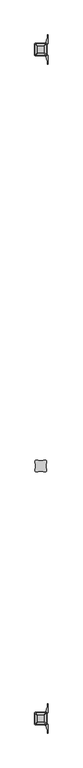
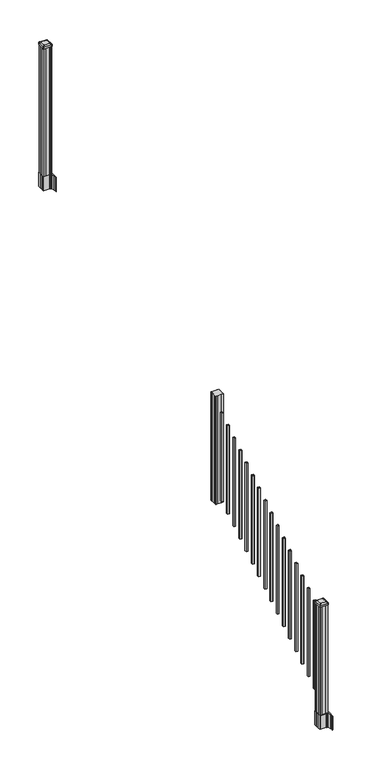
"""IFC4 building model written with IfcOpenShell, lengths in millimetres: railing geometry."""

from ifc_helpers import new_model, si_unit, point, frame, frame_2d, origin, place, context, project, spatial, polyline, circle_curve, trimmed, segment, composite_curve, outline, extrude, source, transform, mapped, element, save
from ifc_brep_helpers import plane_surface, extruded_surface, advanced_brep


def railing_14ff0e8b(model_context):
    return source(origin(), model_context, "Body", "SolidModel", [
        extrude(outline(polyline([(13007.5958284, -5880.2624681), (12987.9743284, -5880.2624681), (12987.2123284, -5878.6749681), (12948.6043284, -5878.6749681), (12947.8423284, -5880.2624681), (12928.2208284, -5880.2624681), (12926.6333284, -5878.6749681), (12926.6333284, -5859.0534681), (12928.2208284, -5858.2914681), (12928.2208284, -5819.6834681), (12926.6333284, -5818.9214681), (12926.6333284, -5799.2999681), (12928.2208284, -5797.7124681), (12947.8423284, -5797.7124681), (12948.6043284, -5799.2999681), (12987.2123284, -5799.2999681), (12987.9743284, -5797.7124681), (13007.5958284, -5797.7124681), (13009.1833284, -5799.2999681), (13009.1833284, -5818.9214681), (13007.5958284, -5819.6834681), (13007.5958284, -5858.2914681), (13009.1833284, -5859.0534681), (13009.1833284, -5878.6749681), (13007.5958284, -5880.2624681)])), frame((0.0, 0.0, 1334.77), z_axis=(0.0, 0.0, 1.0), x_axis=(1.0, 0.0, 0.0)), (0.0, 0.0, 1.0), 1183.764263),
        extrude(outline(polyline([(12958.3833284, -5929.5384681), (12958.3833284, -5910.4884681), (12977.4333284, -5910.4884681), (12977.4333284, -5929.5384681), (12958.3833284, -5929.5384681)]), holes=[polyline([(12958.7802034, -5929.1415931), (12977.0364534, -5929.1415931), (12977.0364534, -5910.8853431), (12958.7802034, -5910.8853431), (12958.7802034, -5929.1415931)])]), frame((0.0, 0.0, 1385.7246281), z_axis=(0.0, 0.0, 1.0), x_axis=(1.0, 0.0, 0.0)), (0.0, 0.0, 1.0), 965.2041219),
        extrude(outline(polyline([(12958.3833284, -6040.7904681), (12958.3833284, -6021.7404681), (12977.4333284, -6021.7404681), (12977.4333284, -6040.7904681), (12958.3833284, -6040.7904681)]), holes=[polyline([(12958.7802034, -6040.3935931), (12977.0364534, -6040.3935931), (12977.0364534, -6022.1373431), (12958.7802034, -6022.1373431), (12958.7802034, -6040.3935931)])]), frame((0.0, 0.0, 1316.1921281), z_axis=(0.0, 0.0, 1.0), x_axis=(1.0, 0.0, 0.0)), (0.0, 0.0, 1.0), 965.2041219),
        extrude(outline(polyline([(12958.3833284, -6152.0424681), (12958.3833284, -6132.9924681), (12977.4333284, -6132.9924681), (12977.4333284, -6152.0424681), (12958.3833284, -6152.0424681)]), holes=[polyline([(12958.7802034, -6151.6455931), (12977.0364534, -6151.6455931), (12977.0364534, -6133.3893431), (12958.7802034, -6133.3893431), (12958.7802034, -6151.6455931)])]), frame((0.0, 0.0, 1246.6596281), z_axis=(0.0, 0.0, 1.0), x_axis=(1.0, 0.0, 0.0)), (0.0, 0.0, 1.0), 965.2041219),
        extrude(outline(polyline([(12958.3833284, -6263.2944681), (12958.3833284, -6244.2444681), (12977.4333284, -6244.2444681), (12977.4333284, -6263.2944681), (12958.3833284, -6263.2944681)]), holes=[polyline([(12958.7802034, -6262.8975931), (12977.0364534, -6262.8975931), (12977.0364534, -6244.6413431), (12958.7802034, -6244.6413431), (12958.7802034, -6262.8975931)])]), frame((0.0, 0.0, 1177.1271281), z_axis=(0.0, 0.0, 1.0), x_axis=(1.0, 0.0, 0.0)), (0.0, 0.0, 1.0), 965.2041219),
        extrude(outline(polyline([(12958.3833284, -6374.5464681), (12958.3833284, -6355.4964681), (12977.4333284, -6355.4964681), (12977.4333284, -6374.5464681), (12958.3833284, -6374.5464681)]), holes=[polyline([(12958.7802034, -6374.1495931), (12977.0364534, -6374.1495931), (12977.0364534, -6355.8933431), (12958.7802034, -6355.8933431), (12958.7802034, -6374.1495931)])]), frame((0.0, 0.0, 1107.5946281), z_axis=(0.0, 0.0, 1.0), x_axis=(1.0, 0.0, 0.0)), (0.0, 0.0, 1.0), 965.2041219),
        extrude(outline(polyline([(12958.3833284, -6485.7984681), (12958.3833284, -6466.7484681), (12977.4333284, -6466.7484681), (12977.4333284, -6485.7984681), (12958.3833284, -6485.7984681)]), holes=[polyline([(12958.7802034, -6485.4015931), (12977.0364534, -6485.4015931), (12977.0364534, -6467.1453431), (12958.7802034, -6467.1453431), (12958.7802034, -6485.4015931)])]), frame((0.0, 0.0, 1038.0621281), z_axis=(0.0, 0.0, 1.0), x_axis=(1.0, 0.0, 0.0)), (0.0, 0.0, 1.0), 965.2041219),
        extrude(outline(polyline([(12958.3833284, -6597.0504681), (12958.3833284, -6578.0004681), (12977.4333284, -6578.0004681), (12977.4333284, -6597.0504681), (12958.3833284, -6597.0504681)]), holes=[polyline([(12958.7802034, -6596.6535931), (12977.0364534, -6596.6535931), (12977.0364534, -6578.3973431), (12958.7802034, -6578.3973431), (12958.7802034, -6596.6535931)])]), frame((0.0, 0.0, 968.5296281), z_axis=(0.0, 0.0, 1.0), x_axis=(1.0, 0.0, 0.0)), (0.0, 0.0, 1.0), 965.2041219),
        extrude(outline(polyline([(12958.3833284, -6708.3024681), (12958.3833284, -6689.2524681), (12977.4333284, -6689.2524681), (12977.4333284, -6708.3024681), (12958.3833284, -6708.3024681)]), holes=[polyline([(12958.7802034, -6707.9055931), (12977.0364534, -6707.9055931), (12977.0364534, -6689.6493431), (12958.7802034, -6689.6493431), (12958.7802034, -6707.9055931)])]), frame((0.0, 0.0, 898.9971281), z_axis=(0.0, 0.0, 1.0), x_axis=(1.0, 0.0, 0.0)), (0.0, 0.0, 1.0), 965.2041219),
        extrude(outline(polyline([(12958.3833284, -6819.5544681), (12958.3833284, -6800.5044681), (12977.4333284, -6800.5044681), (12977.4333284, -6819.5544681), (12958.3833284, -6819.5544681)]), holes=[polyline([(12958.7802034, -6819.1575931), (12977.0364534, -6819.1575931), (12977.0364534, -6800.9013431), (12958.7802034, -6800.9013431), (12958.7802034, -6819.1575931)])]), frame((0.0, 0.0, 829.4646281), z_axis=(0.0, 0.0, 1.0), x_axis=(1.0, 0.0, 0.0)), (0.0, 0.0, 1.0), 965.2041219),
        extrude(outline(polyline([(12958.3833284, -6930.8064681), (12958.3833284, -6911.7564681), (12977.4333284, -6911.7564681), (12977.4333284, -6930.8064681), (12958.3833284, -6930.8064681)]), holes=[polyline([(12958.7802034, -6930.4095931), (12977.0364534, -6930.4095931), (12977.0364534, -6912.1533431), (12958.7802034, -6912.1533431), (12958.7802034, -6930.4095931)])]), frame((0.0, 0.0, 759.9321281), z_axis=(0.0, 0.0, 1.0), x_axis=(1.0, 0.0, 0.0)), (0.0, 0.0, 1.0), 965.2041219),
        extrude(outline(polyline([(12958.3833284, -7042.0584681), (12958.3833284, -7023.0084681), (12977.4333284, -7023.0084681), (12977.4333284, -7042.0584681), (12958.3833284, -7042.0584681)]), holes=[polyline([(12958.7802034, -7041.6615931), (12977.0364534, -7041.6615931), (12977.0364534, -7023.4053431), (12958.7802034, -7023.4053431), (12958.7802034, -7041.6615931)])]), frame((0.0, 0.0, 690.3996281), z_axis=(0.0, 0.0, 1.0), x_axis=(1.0, 0.0, 0.0)), (0.0, 0.0, 1.0), 965.2041219),
        extrude(outline(polyline([(12958.3833284, -7153.3104681), (12958.3833284, -7134.2604681), (12977.4333284, -7134.2604681), (12977.4333284, -7153.3104681), (12958.3833284, -7153.3104681)]), holes=[polyline([(12958.7802034, -7152.9135931), (12977.0364534, -7152.9135931), (12977.0364534, -7134.6573431), (12958.7802034, -7134.6573431), (12958.7802034, -7152.9135931)])]), frame((0.0, 0.0, 620.8671281), z_axis=(0.0, 0.0, 1.0), x_axis=(1.0, 0.0, 0.0)), (0.0, 0.0, 1.0), 965.2041219),
        extrude(outline(polyline([(12958.3833284, -7264.5624681), (12958.3833284, -7245.5124681), (12977.4333284, -7245.5124681), (12977.4333284, -7264.5624681), (12958.3833284, -7264.5624681)]), holes=[polyline([(12958.7802034, -7264.1655931), (12977.0364534, -7264.1655931), (12977.0364534, -7245.9093431), (12958.7802034, -7245.9093431), (12958.7802034, -7264.1655931)])]), frame((0.0, 0.0, 551.3346281), z_axis=(0.0, 0.0, 1.0), x_axis=(1.0, 0.0, 0.0)), (0.0, 0.0, 1.0), 965.2041219),
        extrude(outline(polyline([(12958.3833284, -7375.8144681), (12958.3833284, -7356.7644681), (12977.4333284, -7356.7644681), (12977.4333284, -7375.8144681), (12958.3833284, -7375.8144681)]), holes=[polyline([(12958.7802034, -7375.4175931), (12977.0364534, -7375.4175931), (12977.0364534, -7357.1613431), (12958.7802034, -7357.1613431), (12958.7802034, -7375.4175931)])]), frame((0.0, 0.0, 481.8021281), z_axis=(0.0, 0.0, 1.0), x_axis=(1.0, 0.0, 0.0)), (0.0, 0.0, 1.0), 965.2041219),
        extrude(outline(polyline([(12958.3833284, -7487.0664681), (12958.3833284, -7468.0164681), (12977.4333284, -7468.0164681), (12977.4333284, -7487.0664681), (12958.3833284, -7487.0664681)]), holes=[polyline([(12958.7802034, -7486.6695931), (12977.0364534, -7486.6695931), (12977.0364534, -7468.4133431), (12958.7802034, -7468.4133431), (12958.7802034, -7486.6695931)])]), frame((0.0, 0.0, 412.2696281), z_axis=(0.0, 0.0, 1.0), x_axis=(1.0, 0.0, 0.0)), (0.0, 0.0, 1.0), 965.2041219),
        extrude(outline(polyline([(12958.3833284, -7598.3184681), (12958.3833284, -7579.2684681), (12977.4333284, -7579.2684681), (12977.4333284, -7598.3184681), (12958.3833284, -7598.3184681)]), holes=[polyline([(12958.7802034, -7597.9215931), (12977.0364534, -7597.9215931), (12977.0364534, -7579.6653431), (12958.7802034, -7579.6653431), (12958.7802034, -7597.9215931)])]), frame((0.0, 0.0, 342.7371281), z_axis=(0.0, 0.0, 1.0), x_axis=(1.0, 0.0, 0.0)), (0.0, 0.0, 1.0), 965.2041219),
        extrude(outline(polyline([(13007.5958284, -2792.8924681), (12987.9743284, -2792.8924681), (12987.2123284, -2791.3049681), (12948.6043284, -2791.3049681), (12947.8423284, -2792.8924681), (12928.2208284, -2792.8924681), (12926.6333284, -2791.3049681), (12926.6333284, -2771.6834681), (12928.2208284, -2770.9214681), (12928.2208284, -2732.3134681), (12926.6333284, -2731.5514681), (12926.6333284, -2711.9299681), (12928.2208284, -2710.3424681), (12947.8423284, -2710.3424681), (12948.6043284, -2711.9299681), (12987.2123284, -2711.9299681), (12987.9743284, -2710.3424681), (13007.5958284, -2710.3424681), (13009.1833284, -2711.9299681), (13009.1833284, -2731.5514681), (13007.5958284, -2732.3134681), (13007.5958284, -2770.9214681), (13009.1833284, -2771.6834681), (13009.1833284, -2791.3049681), (13007.5958284, -2792.8924681)])), frame((0.0, 0.0, 3048.0), z_axis=(0.0, 0.0, 1.0), x_axis=(1.0, 0.0, 0.0)), (0.0, 0.0, 1.0), 1400.140513),
        extrude(outline(composite_curve([segment(polyline([(12925.1728284, -2769.003563), (12925.1728284, -2734.2313732), (12923.5853284, -2733.4693732), (12923.5853284, -2710.6674452), (12926.9583054, -2707.2944681), (12988.4179763, -2707.2944681), (12988.4179763, -2706.3737181), (12993.7355201, -2706.3737181), (12993.7355201, -2704.9194634), (12998.8200498, -2704.9194634), (12998.8200498, -2703.6354396), (13000.4873221, -2703.6354396)]), True, "CONTINUOUS"), segment(trimmed(circle_curve(frame_2d((13000.4873221, -2696.5759797)), 7.0594599), [point((13000.4873221, -2703.6354396))], [point((13007.2545849, -2698.5859864))], True, "CARTESIAN"), True, "CONTINUOUS"), segment(polyline([(13007.2545849, -2698.5859864), (13015.1287792, -2672.0752573)]), True, "CONTINUOUS"), segment(trimmed(circle_curve(frame_2d((12960.3442659, -2655.8032076)), 57.15), [point((13015.1287792, -2672.0752573))], [point((13017.4942659, -2655.8032076))], True, "CARTESIAN"), True, "CONTINUOUS"), segment(polyline([(13017.4942659, -2655.8032076), (13017.4942659, -2643.7944681), (13020.4942659, -2643.7944681), (13020.4942659, -2708.8819681), (13012.2313284, -2720.2202594), (13012.2313284, -2733.4693732), (13010.6438284, -2734.2313732), (13010.6438284, -2769.003563), (13012.2313284, -2769.765563), (13012.2313284, -2783.0146768), (13020.4942659, -2794.3529681), (13020.4942659, -2859.4404681), (13017.4942659, -2859.4404681), (13017.4942659, -2847.4317285)]), True, "CONTINUOUS"), segment(trimmed(circle_curve(frame_2d((12960.3442659, -2847.4317285)), 57.15), [point((13017.4942659, -2847.4317285))], [point((13015.1287792, -2831.1596789))], True, "CARTESIAN"), True, "CONTINUOUS"), segment(polyline([(13015.1287792, -2831.1596789), (13007.2545849, -2804.6489498)]), True, "CONTINUOUS"), segment(trimmed(circle_curve(frame_2d((13000.4873221, -2806.6589565)), 7.0594599), [point((13007.2545849, -2804.6489498))], [point((13000.4873221, -2799.5994966))], True, "CARTESIAN"), True, "CONTINUOUS"), segment(polyline([(13000.4873221, -2799.5994966), (12998.8200498, -2799.5994966), (12998.8200498, -2798.3154728), (12993.7355201, -2798.3154728), (12993.7355201, -2796.8612181), (12988.4179763, -2796.8612181), (12988.4179763, -2795.9404681), (12926.9583054, -2795.9404681), (12923.5853284, -2792.567491), (12923.5853284, -2769.765563), (12925.1728284, -2769.003563)]), True, "CONTINUOUS")], self_intersect=False), holes=[polyline([(13009.1833284, -2711.9299681), (13007.5958284, -2710.3424681), (12970.6715458, -2710.3424681), (12928.2208284, -2710.3424681), (12926.6333284, -2711.9299681), (12926.6333284, -2791.3049681), (12928.2208284, -2792.8924681), (12970.6715458, -2792.8924681), (13007.5958284, -2792.8924681), (13009.1833284, -2791.3049681), (13009.1833284, -2711.9299681)])]), frame((0.0, 0.0, 2895.6), z_axis=(0.0, 0.0, 1.0), x_axis=(1.0, 0.0, 0.0)), (0.0, 0.0, 1.0), 152.4),
        advanced_brep(
        [(12993.7052034, -2780.5893431, 4476.715513), (12996.8802034, -2777.4143431, 4476.715513), (12996.8802034, -2725.8205931, 4476.715513), (12993.7052034, -2722.6455931, 4476.715513), (12942.1114534, -2722.6455931, 4476.715513), (12938.9364534, -2725.8205931, 4476.715513), (12938.9364534, -2777.4143431, 4476.715513), (12942.1114534, -2780.5893431, 4476.715513), (13009.9770784, -2796.8612181, 4465.412513), (12925.8395784, -2796.8612181, 4465.412513), (12922.6645784, -2793.6862181, 4465.412513), (12922.6645784, -2709.5487181, 4465.412513), (12925.8395784, -2706.3737181, 4465.412513), (13009.9770784, -2706.3737181, 4465.412513), (13013.1520784, -2709.5487181, 4465.412513), (13013.1520784, -2793.6862181, 4465.412513)],
        [
            (0, 1, circle_curve(frame((12993.7052034, -2777.4143431, 4476.715513), z_axis=(0.0, 0.0, 1.0), x_axis=(0.0, 1.0, 0.0)), 3.175)),
            (1, 2),
            (2, 3, circle_curve(frame((12993.7052034, -2725.8205931, 4476.715513), z_axis=(0.0, 0.0, 1.0), x_axis=(0.0, 1.0, 0.0)), 3.175)),
            (3, 4),
            (4, 5, circle_curve(frame((12942.1114534, -2725.8205931, 4476.715513), z_axis=(0.0, 0.0, 1.0), x_axis=(0.0, 1.0, 0.0)), 3.175)),
            (5, 6),
            (6, 7, circle_curve(frame((12942.1114534, -2777.4143431, 4476.715513), z_axis=(0.0, 0.0, 1.0), x_axis=(0.0, 1.0, 0.0)), 3.175)),
            (7, 0),
            (8, 9),
            (9, 10, circle_curve(frame((12925.8395784, -2793.6862181, 4465.412513), z_axis=(0.0, 0.0, -1.0), x_axis=(0.0, 1.0, 0.0)), 3.175)),
            (10, 11),
            (11, 12, circle_curve(frame((12925.8395784, -2709.5487181, 4465.412513), z_axis=(0.0, 0.0, -1.0), x_axis=(0.0, 1.0, 0.0)), 3.175)),
            (12, 13),
            (13, 14, circle_curve(frame((13009.9770784, -2709.5487181, 4465.412513), z_axis=(0.0, 0.0, -1.0), x_axis=(0.0, 1.0, 0.0)), 3.175)),
            (14, 15),
            (15, 8, circle_curve(frame((13009.9770784, -2793.6862181, 4465.412513), z_axis=(0.0, 0.0, -1.0), x_axis=(0.0, 1.0, 0.0)), 3.175)),
            (15, 1),
            (0, 8),
            (14, 2),
            (13, 3),
            (12, 4),
            (11, 5),
            (10, 6),
            (9, 7),
        ],
        [
            plane_surface(frame((12967.9083284, -2751.6174681, 4476.715513), z_axis=(0.0, 0.0, 1.0), x_axis=(1.0, 0.0, 0.0))),
            plane_surface(frame((12967.9083284, -2751.6174681, 4465.412513), z_axis=(0.0, 0.0, -1.0), x_axis=(1.0, 0.0, 0.0))),
            extruded_surface(trimmed(circle_curve(frame((13009.9770784, -2793.6862181, 4465.412513), z_axis=(0.0, 0.0, 1.0), x_axis=(0.0, 1.0, 0.0)), 3.175), [point((13009.9770784, -2796.8612181, 4465.412513))], [point((13013.1520784, -2793.6862181, 4465.412513))], True, "CARTESIAN"), (-16.271874999998545, 16.27187499999991, 11.302999999999884), 25.63797263886513),
            plane_surface(frame((13013.1520784, -2751.6174681, 4465.412513), z_axis=(0.5705009161540685, 0.0, 0.8212969649690474), x_axis=(0.0, 1.0, 0.0))),
            extruded_surface(trimmed(circle_curve(frame((13009.9770784, -2709.5487181, 4465.412513), z_axis=(0.0, 0.0, 1.0), x_axis=(0.0, 1.0, 0.0)), 3.175), [point((13013.1520784, -2709.5487181, 4465.412513))], [point((13009.9770784, -2706.3737181, 4465.412513))], True, "CARTESIAN"), (-16.271874999998545, -16.271875000000364, 11.302999999999884), 25.63797263886542),
            plane_surface(frame((12967.9083284, -2706.3737181, 4465.412513), z_axis=(0.0, 0.5705009161540291, 0.8212969649690747), x_axis=(-1.0, 0.0, 0.0))),
            extruded_surface(trimmed(circle_curve(frame((12925.8395784, -2709.5487181, 4465.412513), z_axis=(0.0, 0.0, 1.0), x_axis=(0.0, 1.0, 0.0)), 3.175), [point((12925.8395784, -2706.3737181, 4465.412513))], [point((12922.6645784, -2709.5487181, 4465.412513))], True, "CARTESIAN"), (16.271875000000364, -16.271875000000364, 11.302999999999884), 25.63797263886657),
            plane_surface(frame((12922.6645784, -2751.6174681, 4465.412513), z_axis=(-0.5705009161540235, 0.0, 0.8212969649690786), x_axis=(0.0, -1.0, 0.0))),
            extruded_surface(trimmed(circle_curve(frame((12925.8395784, -2793.6862181, 4465.412513), z_axis=(0.0, 0.0, 1.0), x_axis=(0.0, 1.0, 0.0)), 3.175), [point((12922.6645784, -2793.6862181, 4465.412513))], [point((12925.8395784, -2796.8612181, 4465.412513))], True, "CARTESIAN"), (16.271875000000364, 16.27187499999991, 11.302999999999884), 25.637972638866284),
            plane_surface(frame((12967.9083284, -2796.8612181, 4465.412513), z_axis=(0.0, -0.570500916154034, 0.8212969649690713), x_axis=(1.0, 0.0, 0.0))),
        ],
        [
            (0, [[1, 2, 3, 4, 5, 6, 7, 8]]),
            (1, [[9, 10, 11, 12, 13, 14, 15, 16]]),
            (2, [[-16, 17, -1, 18]]),
            (3, [[-15, 19, -2, -17]]),
            (4, [[-14, 20, -3, -19]]),
            (5, [[-13, 21, -4, -20]]),
            (6, [[-12, 22, -5, -21]]),
            (7, [[-11, 23, -6, -22]]),
            (8, [[-10, 24, -7, -23]]),
            (9, [[-9, -18, -8, -24]]),
        ],
    ),
        extrude(outline(composite_curve([segment(polyline([(13009.9770784, -2796.8612181), (12925.8395784, -2796.8612181)]), True, "CONTINUOUS"), segment(trimmed(circle_curve(frame_2d((12925.8395784, -2793.6862181)), 3.175), [point((12925.8395784, -2796.8612181))], [point((12922.6645784, -2793.6862181))], False, "CARTESIAN"), True, "CONTINUOUS"), segment(polyline([(12922.6645784, -2793.6862181), (12922.6645784, -2709.5487181)]), True, "CONTINUOUS"), segment(trimmed(circle_curve(frame_2d((12925.8395784, -2709.5487181)), 3.175), [point((12922.6645784, -2709.5487181))], [point((12925.8395784, -2706.3737181))], False, "CARTESIAN"), True, "CONTINUOUS"), segment(polyline([(12925.8395784, -2706.3737181), (13009.9770784, -2706.3737181)]), True, "CONTINUOUS"), segment(trimmed(circle_curve(frame_2d((13009.9770784, -2709.5487181)), 3.175), [point((13009.9770784, -2706.3737181))], [point((13013.1520784, -2709.5487181))], False, "CARTESIAN"), True, "CONTINUOUS"), segment(polyline([(13013.1520784, -2709.5487181), (13013.1520784, -2793.6862181)]), True, "CONTINUOUS"), segment(trimmed(circle_curve(frame_2d((13009.9770784, -2793.6862181)), 3.175), [point((13013.1520784, -2793.6862181))], [point((13009.9770784, -2796.8612181))], False, "CARTESIAN"), True, "CONTINUOUS")], self_intersect=False)), frame((0.0, 0.0, 4448.140513), z_axis=(0.0, 0.0, 1.0), x_axis=(1.0, 0.0, 0.0)), (0.0, 0.0, 1.0), 17.272),
        extrude(outline(composite_curve([segment(polyline([(12925.1728284, -7728.607563), (12925.1728284, -7693.8353732), (12923.5853284, -7693.0733732), (12923.5853284, -7670.2714452), (12926.9583054, -7666.8984681), (12988.4179763, -7666.8984681), (12988.4179763, -7665.9777181), (12993.7355201, -7665.9777181), (12993.7355201, -7664.5234634), (12998.8200498, -7664.5234634), (12998.8200498, -7663.2394396), (13000.4873221, -7663.2394396)]), True, "CONTINUOUS"), segment(trimmed(circle_curve(frame_2d((13000.4873221, -7656.1799797)), 7.0594599), [point((13000.4873221, -7663.2394396))], [point((13007.2545849, -7658.1899864))], True, "CARTESIAN"), True, "CONTINUOUS"), segment(polyline([(13007.2545849, -7658.1899864), (13015.1287792, -7631.6792573)]), True, "CONTINUOUS"), segment(trimmed(circle_curve(frame_2d((12960.3442659, -7615.4072076)), 57.15), [point((13015.1287792, -7631.6792573))], [point((13017.4942659, -7615.4072076))], True, "CARTESIAN"), True, "CONTINUOUS"), segment(polyline([(13017.4942659, -7615.4072076), (13017.4942659, -7603.3984681), (13020.4942659, -7603.3984681), (13020.4942659, -7668.4859681), (13012.2313284, -7679.8242594), (13012.2313284, -7693.0733732), (13010.6438284, -7693.8353732), (13010.6438284, -7728.607563), (13012.2313284, -7729.369563), (13012.2313284, -7742.6186768), (13020.4942659, -7753.9569681), (13020.4942659, -7819.0444681), (13017.4942659, -7819.0444681), (13017.4942659, -7807.0357285)]), True, "CONTINUOUS"), segment(trimmed(circle_curve(frame_2d((12960.3442659, -7807.0357285)), 57.15), [point((13017.4942659, -7807.0357285))], [point((13015.1287792, -7790.7636789))], True, "CARTESIAN"), True, "CONTINUOUS"), segment(polyline([(13015.1287792, -7790.7636789), (13007.2545849, -7764.2529498)]), True, "CONTINUOUS"), segment(trimmed(circle_curve(frame_2d((13000.4873221, -7766.2629565)), 7.0594599), [point((13007.2545849, -7764.2529498))], [point((13000.4873221, -7759.2034966))], True, "CARTESIAN"), True, "CONTINUOUS"), segment(polyline([(13000.4873221, -7759.2034966), (12998.8200498, -7759.2034966), (12998.8200498, -7757.9194728), (12993.7355201, -7757.9194728), (12993.7355201, -7756.4652181), (12988.4179763, -7756.4652181), (12988.4179763, -7755.5444681), (12926.9583054, -7755.5444681), (12923.5853284, -7752.171491), (12923.5853284, -7729.369563), (12925.1728284, -7728.607563)]), True, "CONTINUOUS")], self_intersect=False), holes=[polyline([(13009.1833284, -7671.5339681), (13007.5958284, -7669.9464681), (12970.6715458, -7669.9464681), (12928.2208284, -7669.9464681), (12926.6333284, -7671.5339681), (12926.6333284, -7750.9089681), (12928.2208284, -7752.4964681), (12970.6715458, -7752.4964681), (13007.5958284, -7752.4964681), (13009.1833284, -7750.9089681), (13009.1833284, -7671.5339681)])]), frame((0.0, 0.0, 12.22375), z_axis=(0.0, 0.0, 1.0), x_axis=(1.0, 0.0, 0.0)), (0.0, 0.0, 1.0), 152.4),
        advanced_brep(
        [(12993.7052034, -7740.1933431, 1376.963013), (12996.8802034, -7737.0183431, 1376.963013), (12996.8802034, -7685.4245931, 1376.963013), (12993.7052034, -7682.2495931, 1376.963013), (12942.1114534, -7682.2495931, 1376.963013), (12938.9364534, -7685.4245931, 1376.963013), (12938.9364534, -7737.0183431, 1376.963013), (12942.1114534, -7740.1933431, 1376.963013), (13009.9770784, -7756.4652181, 1365.660013), (12925.8395784, -7756.4652181, 1365.660013), (12922.6645784, -7753.2902181, 1365.660013), (12922.6645784, -7669.1527181, 1365.660013), (12925.8395784, -7665.9777181, 1365.660013), (13009.9770784, -7665.9777181, 1365.660013), (13013.1520784, -7669.1527181, 1365.660013), (13013.1520784, -7753.2902181, 1365.660013)],
        [
            (0, 1, circle_curve(frame((12993.7052034, -7737.0183431, 1376.963013), z_axis=(0.0, 0.0, 1.0), x_axis=(0.0, 1.0, 0.0)), 3.175)),
            (1, 2),
            (2, 3, circle_curve(frame((12993.7052034, -7685.4245931, 1376.963013), z_axis=(0.0, 0.0, 1.0), x_axis=(0.0, 1.0, 0.0)), 3.175)),
            (3, 4),
            (4, 5, circle_curve(frame((12942.1114534, -7685.4245931, 1376.963013), z_axis=(0.0, 0.0, 1.0), x_axis=(0.0, 1.0, 0.0)), 3.175)),
            (5, 6),
            (6, 7, circle_curve(frame((12942.1114534, -7737.0183431, 1376.963013), z_axis=(0.0, 0.0, 1.0), x_axis=(0.0, 1.0, 0.0)), 3.175)),
            (7, 0),
            (8, 9),
            (9, 10, circle_curve(frame((12925.8395784, -7753.2902181, 1365.660013), z_axis=(0.0, 0.0, -1.0), x_axis=(0.0, 1.0, 0.0)), 3.175)),
            (10, 11),
            (11, 12, circle_curve(frame((12925.8395784, -7669.1527181, 1365.660013), z_axis=(0.0, 0.0, -1.0), x_axis=(0.0, 1.0, 0.0)), 3.175)),
            (12, 13),
            (13, 14, circle_curve(frame((13009.9770784, -7669.1527181, 1365.660013), z_axis=(0.0, 0.0, -1.0), x_axis=(0.0, 1.0, 0.0)), 3.175)),
            (14, 15),
            (15, 8, circle_curve(frame((13009.9770784, -7753.2902181, 1365.660013), z_axis=(0.0, 0.0, -1.0), x_axis=(0.0, 1.0, 0.0)), 3.175)),
            (15, 1),
            (0, 8),
            (14, 2),
            (13, 3),
            (12, 4),
            (11, 5),
            (10, 6),
            (9, 7),
        ],
        [
            plane_surface(frame((12967.9083284, -7711.2214681, 1376.963013), z_axis=(0.0, 0.0, 1.0), x_axis=(1.0, 0.0, 0.0))),
            plane_surface(frame((12967.9083284, -7711.2214681, 1365.660013), z_axis=(0.0, 0.0, -1.0), x_axis=(1.0, 0.0, 0.0))),
            extruded_surface(trimmed(circle_curve(frame((13009.9770784, -7753.2902181, 1365.660013), z_axis=(0.0, 0.0, 1.0), x_axis=(0.0, 1.0, 0.0)), 3.175), [point((13009.9770784, -7756.4652181, 1365.660013))], [point((13013.1520784, -7753.2902181, 1365.660013))], True, "CARTESIAN"), (-16.271874999998545, 16.271875000000364, 11.303000000000111), 25.63797263886552),
            plane_surface(frame((13013.1520784, -7711.2214681, 1365.660013), z_axis=(0.5705009161540778, 0.0, 0.8212969649690408), x_axis=(0.0, 1.0, 0.0))),
            extruded_surface(trimmed(circle_curve(frame((13009.9770784, -7669.1527181, 1365.660013), z_axis=(0.0, 0.0, 1.0), x_axis=(0.0, 1.0, 0.0)), 3.175), [point((13013.1520784, -7669.1527181, 1365.660013))], [point((13009.9770784, -7665.9777181, 1365.660013))], True, "CARTESIAN"), (-16.271874999998545, -16.271874999999454, 11.303000000000111), 25.63797263886494),
            plane_surface(frame((12967.9083284, -7665.9777181, 1365.660013), z_axis=(0.0, 0.5705009161540291, 0.8212969649690747), x_axis=(-1.0, 0.0, 0.0))),
            extruded_surface(trimmed(circle_curve(frame((12925.8395784, -7669.1527181, 1365.660013), z_axis=(0.0, 0.0, 1.0), x_axis=(0.0, 1.0, 0.0)), 3.175), [point((12925.8395784, -7665.9777181, 1365.660013))], [point((12922.6645784, -7669.1527181, 1365.660013))], True, "CARTESIAN"), (16.271875000000364, -16.271874999999454, 11.303000000000111), 25.637972638866096),
            plane_surface(frame((12922.6645784, -7711.2214681, 1365.660013), z_axis=(-0.5705009161540142, 0.0, 0.8212969649690851), x_axis=(0.0, -1.0, 0.0))),
            extruded_surface(trimmed(circle_curve(frame((12925.8395784, -7753.2902181, 1365.660013), z_axis=(0.0, 0.0, 1.0), x_axis=(0.0, 1.0, 0.0)), 3.175), [point((12922.6645784, -7753.2902181, 1365.660013))], [point((12925.8395784, -7756.4652181, 1365.660013))], True, "CARTESIAN"), (16.271875000000364, 16.271875000000364, 11.303000000000111), 25.63797263886667),
            plane_surface(frame((12967.9083284, -7756.4652181, 1365.660013), z_axis=(0.0, -0.570500916154034, 0.8212969649690713), x_axis=(1.0, 0.0, 0.0))),
        ],
        [
            (0, [[1, 2, 3, 4, 5, 6, 7, 8]]),
            (1, [[9, 10, 11, 12, 13, 14, 15, 16]]),
            (2, [[-16, 17, -1, 18]]),
            (3, [[-15, 19, -2, -17]]),
            (4, [[-14, 20, -3, -19]]),
            (5, [[-13, 21, -4, -20]]),
            (6, [[-12, 22, -5, -21]]),
            (7, [[-11, 23, -6, -22]]),
            (8, [[-10, 24, -7, -23]]),
            (9, [[-9, -18, -8, -24]]),
        ],
    ),
        extrude(outline(composite_curve([segment(polyline([(13009.9770784, -7756.4652181), (12925.8395784, -7756.4652181)]), True, "CONTINUOUS"), segment(trimmed(circle_curve(frame_2d((12925.8395784, -7753.2902181)), 3.175), [point((12925.8395784, -7756.4652181))], [point((12922.6645784, -7753.2902181))], False, "CARTESIAN"), True, "CONTINUOUS"), segment(polyline([(12922.6645784, -7753.2902181), (12922.6645784, -7669.1527181)]), True, "CONTINUOUS"), segment(trimmed(circle_curve(frame_2d((12925.8395784, -7669.1527181)), 3.175), [point((12922.6645784, -7669.1527181))], [point((12925.8395784, -7665.9777181))], False, "CARTESIAN"), True, "CONTINUOUS"), segment(polyline([(12925.8395784, -7665.9777181), (13009.9770784, -7665.9777181)]), True, "CONTINUOUS"), segment(trimmed(circle_curve(frame_2d((13009.9770784, -7669.1527181)), 3.175), [point((13009.9770784, -7665.9777181))], [point((13013.1520784, -7669.1527181))], False, "CARTESIAN"), True, "CONTINUOUS"), segment(polyline([(13013.1520784, -7669.1527181), (13013.1520784, -7753.2902181)]), True, "CONTINUOUS"), segment(trimmed(circle_curve(frame_2d((13009.9770784, -7753.2902181)), 3.175), [point((13013.1520784, -7753.2902181))], [point((13009.9770784, -7756.4652181))], False, "CARTESIAN"), True, "CONTINUOUS")], self_intersect=False)), frame((0.0, 0.0, 1348.388013), z_axis=(0.0, 0.0, 1.0), x_axis=(1.0, 0.0, 0.0)), (0.0, 0.0, 1.0), 17.272),
        extrude(outline(polyline([(13007.5958284, -7752.4964681), (12987.9743284, -7752.4964681), (12987.2123284, -7750.9089681), (12948.6043284, -7750.9089681), (12947.8423284, -7752.4964681), (12928.2208284, -7752.4964681), (12926.6333284, -7750.9089681), (12926.6333284, -7731.2874681), (12928.2208284, -7730.5254681), (12928.2208284, -7691.9174681), (12926.6333284, -7691.1554681), (12926.6333284, -7671.5339681), (12928.2208284, -7669.9464681), (12947.8423284, -7669.9464681), (12948.6043284, -7671.5339681), (12987.2123284, -7671.5339681), (12987.9743284, -7669.9464681), (13007.5958284, -7669.9464681), (13009.1833284, -7671.5339681), (13009.1833284, -7691.1554681), (13007.5958284, -7691.9174681), (13007.5958284, -7730.5254681), (13009.1833284, -7731.2874681), (13009.1833284, -7750.9089681), (13007.5958284, -7752.4964681)])), frame((0.0, 0.0, 164.62375), z_axis=(0.0, 0.0, 1.0), x_axis=(1.0, 0.0, 0.0)), (0.0, 0.0, 1.0), 1183.764263),
    ])


if __name__ == "__main__":
    model = new_model("IFC4")
    model_context = context("Model", 3, world=origin())
    ifc_project = project(units=[si_unit("LENGTHUNIT", "METRE", prefix="MILLI")], contexts=[model_context])
    site = spatial("IfcSite", under=ifc_project)
    building = spatial("IfcBuilding", under=site)
    placement = place(None, origin())
    railing_shape = railing_14ff0e8b(model_context)
    element("IfcRailing", 1, at=placement, inside=building, context=model_context, shape_type="MappedRepresentation", body=[
        mapped(railing_shape, transform((0.0, 0.0, 0.0), x_axis=(1.0, 0.0, 0.0), y_axis=(0.0, 1.0, 0.0), z_axis=(0.0, 0.0, 1.0))),
    ])
    save(model, "model.ifc")
